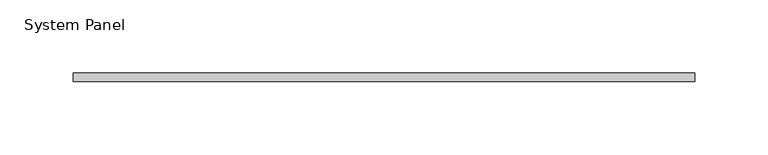
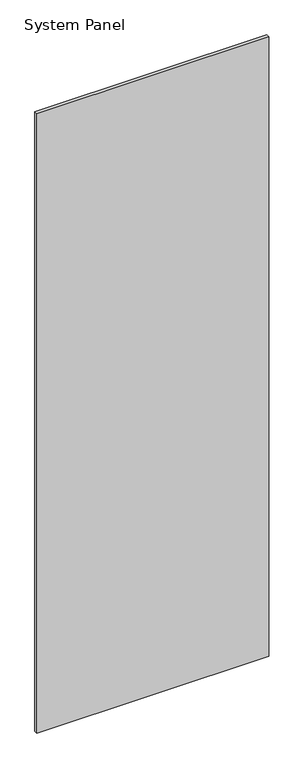
"""IFC4 building model written with IfcOpenShell, lengths in millimetres: plate geometry, System Panel."""

import ifcopenshell
import ifcopenshell.guid

model = None  # the IFC model being written
_history = None  # IfcOwnerHistory: only IFC2X3 demands one
_inside = {}  # id of a spatial element -> (the spatial element, [elements in it])
_under = {}  # id of a project, library or spatial element -> (it, [spatial elements below it])
_declared = {}  # id of a project -> (the project, [libraries it declares])
_typed = {}  # id of a type object -> (the type object, [elements of that type])
_made_of = {}  # id of a material, layer set ... -> (it, [elements and type objects made of it])


def new_model(schema):
    """Start an empty IFC model of exactly this schema.

    Asked for "IFC4X3", IfcOpenShell would pick the latest addendum, in which some entities
    have other attributes; the version numbers below select the first issue.
    IFC2X3 requires an IfcOwnerHistory on every rooted entity: one is made here for all.
    """
    global model, _history
    if schema == "IFC4X3":
        model = ifcopenshell.file(schema_version=(4, 3, 0, 0))
    else:
        model = ifcopenshell.file(schema=schema)
    _inside.clear()
    _under.clear()
    _declared.clear()
    _typed.clear()
    _made_of.clear()
    _history = None
    if model.schema == "IFC2X3":
        org = make("IfcOrganization", Name="unknown")
        user = make(
            "IfcPersonAndOrganization",
            ThePerson=make("IfcPerson", FamilyName="unknown"),
            TheOrganization=org,
        )
        app = make(
            "IfcApplication",
            ApplicationDeveloper=org,
            Version="unknown",
            ApplicationFullName="unknown",
            ApplicationIdentifier="unknown",
        )
        _history = make(
            "IfcOwnerHistory",
            OwningUser=user,
            OwningApplication=app,
            ChangeAction="ADDED",
            CreationDate=0,
        )
    return model


def make(cls, **values):
    """One entity of the class cls with the attributes given. An attribute that is None is left unset."""
    return model.create_entity(
        cls, **{name: value for name, value in values.items() if value is not None}
    )


def rooted(cls, **values):
    """An entity with a GlobalId (a new one), such as an element, a storey or a relation."""
    return make(cls, GlobalId=ifcopenshell.guid.new(), OwnerHistory=_history, **values)


def si_unit(unit_type, name, prefix=None):
    """IfcSIUnit, for example si_unit("LENGTHUNIT", "METRE", prefix="MILLI")."""
    return make("IfcSIUnit", UnitType=unit_type, Prefix=prefix, Name=name)


def assignment(units):
    """IfcUnitAssignment: the units of a project."""
    return None if units is None else make("IfcUnitAssignment", Units=units)


def point(xyz):
    """IfcCartesianPoint."""
    return None if xyz is None else make("IfcCartesianPoint", Coordinates=xyz)


def direction(xyz):
    """IfcDirection."""
    return None if xyz is None else make("IfcDirection", DirectionRatios=xyz)


def frame(location, z_axis=None, x_axis=None):
    """IfcAxis2Placement3D, a coordinate frame: its origin and axes. An axis left out is left unset."""
    return make(
        "IfcAxis2Placement3D",
        Location=point(location),
        Axis=direction(z_axis),
        RefDirection=direction(x_axis),
    )


def origin():
    """The frame at (0, 0, 0) with its axes left unset."""
    return frame((0.0, 0.0, 0.0))


def origin_with_axes():
    """The frame at (0, 0, 0) with the z axis (0, 0, 1) and the x axis (1, 0, 0) written out."""
    return frame((0.0, 0.0, 0.0), z_axis=(0.0, 0.0, 1.0), x_axis=(1.0, 0.0, 0.0))


def place(relative_to, where):
    """IfcLocalPlacement: puts the frame where relative to a parent placement (None: the world)."""
    return make(
        "IfcLocalPlacement", PlacementRelTo=relative_to, RelativePlacement=where
    )


def context(
    kind, dimensions, precision=None, world=None, true_north=None, identifier=None
):
    """IfcGeometricRepresentationContext, for example the 3D "Model" context."""
    return make(
        "IfcGeometricRepresentationContext",
        ContextIdentifier=identifier,
        ContextType=kind,
        CoordinateSpaceDimension=dimensions,
        Precision=precision,
        WorldCoordinateSystem=world,
        TrueNorth=true_north,
    )


def project(units=None, contexts=None):
    """IfcProject with its units and contexts."""
    return rooted(
        "IfcProject",
        Name="project",
        RepresentationContexts=contexts,
        UnitsInContext=assignment(units),
    )


def spatial(cls, under=None, at=None, **own):
    """A site, building, storey or space (cls), placed at a placement, below another one or the project."""
    s = rooted(cls, ObjectPlacement=at, **own)
    if under is not None:
        _under.setdefault(under.id(), (under, []))[1].append(s)
    return s


def polyline(points):
    """IfcPolyline through the points."""
    return make("IfcPolyline", Points=[point(p) for p in points])


def outline(outer, holes=None, kind="AREA"):
    """IfcArbitraryClosedProfileDef: a profile drawn as a closed curve; with holes, ...WithVoids."""
    if holes is None:
        return make("IfcArbitraryClosedProfileDef", ProfileType=kind, OuterCurve=outer)
    return make(
        "IfcArbitraryProfileDefWithVoids",
        ProfileType=kind,
        OuterCurve=outer,
        InnerCurves=holes,
    )


def extrude(swept, where, along, depth):
    """IfcExtrudedAreaSolid: the profile swept, set in the frame where, extruded along a direction by depth."""
    return make(
        "IfcExtrudedAreaSolid",
        SweptArea=swept,
        Position=where,
        ExtrudedDirection=direction(along),
        Depth=depth,
    )


def shape(context_of_items, identifier, shape_type, items):
    """IfcShapeRepresentation: the items that make up one representation, for example the "Body"."""
    return make(
        "IfcShapeRepresentation",
        ContextOfItems=context_of_items,
        RepresentationIdentifier=identifier,
        RepresentationType=shape_type,
        Items=items,
    )


def source(mapping_origin, context_of_items, identifier, shape_type, items):
    """IfcRepresentationMap: a shape defined once, which mapped items show again and again."""
    return make(
        "IfcRepresentationMap",
        MappingOrigin=mapping_origin,
        MappedRepresentation=shape(context_of_items, identifier, shape_type, items),
    )


def transform(
    local_origin,
    x_axis=None,
    y_axis=None,
    z_axis=None,
    scale=None,
    scale2=None,
    scale3=None,
    uniform=True,
):
    """IfcCartesianTransformationOperator3D, or its non-uniform kind. x_axis, y_axis, z_axis: its Axis1, 2, 3."""
    if uniform:
        return make(
            "IfcCartesianTransformationOperator3D",
            Axis1=direction(x_axis),
            Axis2=direction(y_axis),
            LocalOrigin=point(local_origin),
            Scale=scale,
            Axis3=direction(z_axis),
        )
    return make(
        "IfcCartesianTransformationOperator3DnonUniform",
        Axis1=direction(x_axis),
        Axis2=direction(y_axis),
        LocalOrigin=point(local_origin),
        Scale=scale,
        Axis3=direction(z_axis),
        Scale2=scale2,
        Scale3=scale3,
    )


def mapped(mapping_source, mapping_target):
    """IfcMappedItem: shows the shape of a source again, moved by a transform."""
    return make(
        "IfcMappedItem", MappingSource=mapping_source, MappingTarget=mapping_target
    )


def made_of(thing, what):
    """Note that an element or type object is made of a material, layer set ...; save() writes the relation."""
    if what is not None:
        _made_of.setdefault(what.id(), (what, []))[1].append(thing)
    return thing


def element(
    cls,
    number,
    at=None,
    inside=None,
    cuts=None,
    type_object=None,
    material=None,
    context=None,
    identifier="Body",
    shape_type=None,
    held_by="IfcProductDefinitionShape",
    body=None,
    shapes=None,
    **own,
):
    """One element of the class cls, such as IfcWall. Its Tag is "e" and its number.

    at: its placement. inside: the storey or other place that contains it. cuts: it is an
    opening in that element (IfcRelVoidsElement). A single representation is given by context,
    identifier, shape_type and body (its items); several are given by shapes. held_by: the class
    of the entity that holds the representations. save() writes the other relations.
    """
    e = rooted(cls, Tag="e%d" % number, ObjectPlacement=at, **own)
    if body is not None:
        shapes = [shape(context, identifier, shape_type, body)]
    if shapes is not None:
        e.Representation = make(held_by, Representations=shapes)
    if inside is not None:
        _inside.setdefault(inside.id(), (inside, []))[1].append(e)
    if cuts is not None:
        rooted(
            "IfcRelVoidsElement", RelatingBuildingElement=cuts, RelatedOpeningElement=e
        )
    if type_object is not None:
        _typed.setdefault(type_object.id(), (type_object, []))[1].append(e)
    return made_of(e, material)


def aggregate(whole, parts):
    """IfcRelAggregates: a whole, such as a stair, and the parts it consists of."""
    return rooted("IfcRelAggregates", RelatingObject=whole, RelatedObjects=parts)


def save(model, path):
    """Write the relations noted so far, then the file.

    IfcRelAggregates (storeys below a building ...), IfcRelContainedInSpatialStructure (elements
    in a storey), IfcRelDefinesByType, IfcRelAssociatesMaterial and IfcRelDeclares: one each for
    every whole, place, type object, material and project.
    """
    for whole, parts in _under.values():
        aggregate(whole, parts)
    for where, things in _inside.values():
        rooted(
            "IfcRelContainedInSpatialStructure",
            RelatedElements=things,
            RelatingStructure=where,
        )
    for kind, things in _typed.values():
        rooted("IfcRelDefinesByType", RelatedObjects=things, RelatingType=kind)
    for what, things in _made_of.values():
        rooted("IfcRelAssociatesMaterial", RelatedObjects=things, RelatingMaterial=what)
    for by, libraries in _declared.values():
        rooted("IfcRelDeclares", RelatingContext=by, RelatedDefinitions=libraries)
    model.write(path)


def system_panel_2d80c7de(model_context):
    return source(origin(), model_context, "Body", "SweptSolid", [
        extrude(outline(polyline([(212.5, -3.0), (-212.5, -3.0), (-212.5, 3.0), (212.5, 3.0), (212.5, -3.0)])), origin_with_axes(), (0.0, 0.0, 1.0), 1200.0),
    ])


if __name__ == "__main__":
    model = new_model("IFC4")
    model_context = context("Model", 3, world=origin())
    ifc_project = project(units=[si_unit("LENGTHUNIT", "METRE", prefix="MILLI")], contexts=[model_context])
    site = spatial("IfcSite", under=ifc_project)
    building = spatial("IfcBuilding", under=site)
    placement = place(None, origin())
    system_panel_shape = system_panel_2d80c7de(model_context)
    element("IfcPlate", 1, ObjectType="System Panel", at=placement, inside=building, context=model_context, shape_type="MappedRepresentation", body=[
        mapped(system_panel_shape, transform((0.0, 0.0, 0.0), x_axis=(1.0, 0.0, 0.0), y_axis=(0.0, 1.0, 0.0), z_axis=(0.0, 0.0, 1.0))),
    ])
    save(model, "model.ifc")
